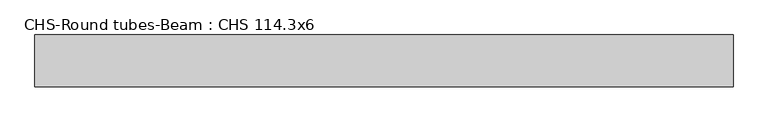
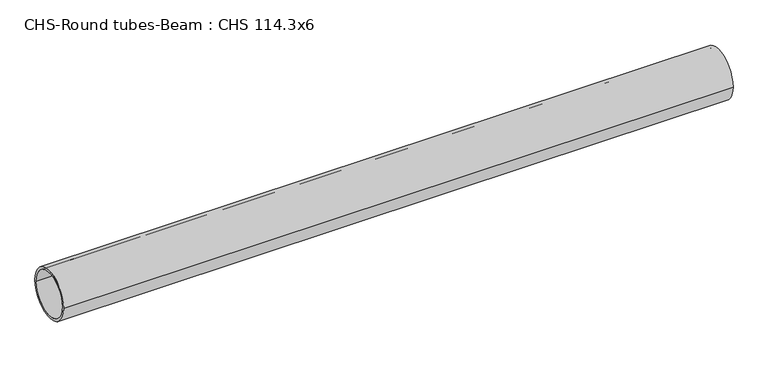
"""IFC4 building model written with IfcOpenShell, lengths in millimetres: beam geometry, CHS-Round tubes-Beam : CHS 114.3x6."""

from ifc_helpers import new_model, si_unit, point, frame, origin, origin_2d, place, context, project, spatial, circle_curve, trimmed, segment, composite_curve, outline, extrude, source, transform, mapped, element, save


def chs_round_tubes_beam_chs_114_3x6_3c9a49d9(model_context):
    return source(origin(), model_context, "Body", "SweptSolid", [
        extrude(outline(composite_curve([segment(trimmed(circle_curve(origin_2d(), 57.15), [point((57.15, 0.0))], [point((-57.15, 0.0))], False, "CARTESIAN"), True, "CONTINUOUS"), segment(trimmed(circle_curve(origin_2d(), 57.15), [point((-57.15, 0.0))], [point((57.15, 0.0))], False, "CARTESIAN"), True, "CONTINUOUS")], self_intersect=False), holes=[composite_curve([segment(trimmed(circle_curve(origin_2d(), 51.15), [point((51.15, 0.0))], [point((-51.15, 0.0))], True, "CARTESIAN"), True, "CONTINUOUS"), segment(trimmed(circle_curve(origin_2d(), 51.15), [point((-51.15, 0.0))], [point((51.15, 0.0))], True, "CARTESIAN"), True, "CONTINUOUS")], self_intersect=False)]), frame((-759.3986417, 0.0, 0.0), z_axis=(1.0, 0.0, 0.0), x_axis=(0.0, 1.0, 0.0)), (0.0, 0.0, 1.0), 1533.5624697),
    ])


if __name__ == "__main__":
    model = new_model("IFC4")
    model_context = context("Model", 3, world=origin())
    ifc_project = project(units=[si_unit("LENGTHUNIT", "METRE", prefix="MILLI")], contexts=[model_context])
    site = spatial("IfcSite", under=ifc_project)
    building = spatial("IfcBuilding", under=site)
    placement = place(None, origin())
    chs_round_tubes_beam_chs_114_3x6_shape = chs_round_tubes_beam_chs_114_3x6_3c9a49d9(model_context)
    element("IfcBeam", 1, ObjectType="CHS-Round tubes-Beam : CHS 114.3x6", at=placement, inside=building, context=model_context, shape_type="MappedRepresentation", body=[
        mapped(chs_round_tubes_beam_chs_114_3x6_shape, transform((0.0, 0.0, 0.0), x_axis=(1.0, 0.0, 0.0), y_axis=(0.0, 1.0, 0.0), z_axis=(0.0, 0.0, 1.0))),
    ])
    save(model, "model.ifc")
